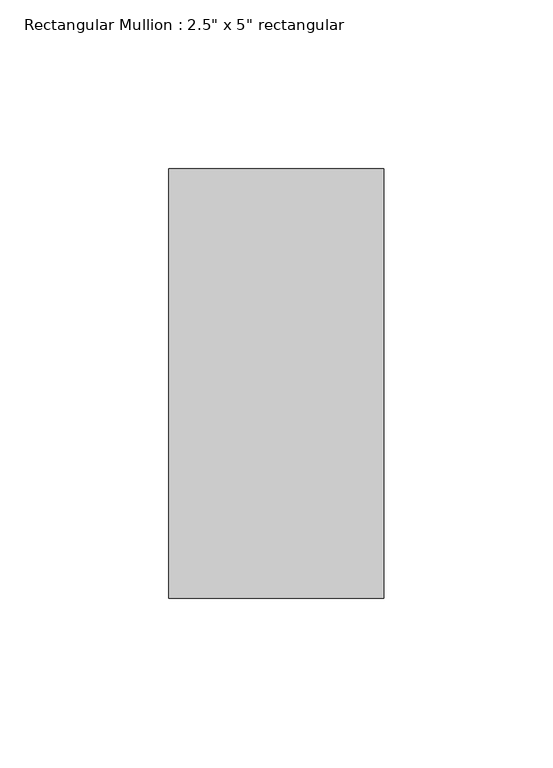
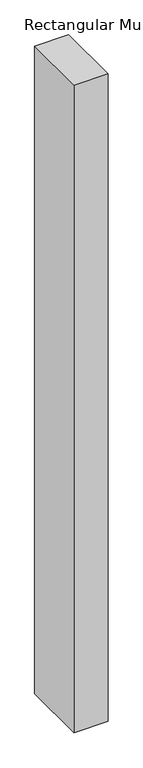
"""IFC4 building model written with IfcOpenShell, lengths in millimetres: member geometry."""

from ifc_helpers import new_model, si_unit, frame, origin, place, context, project, spatial, polyline, outline, extrude, source, transform, mapped, element, save


def member_ddda11ba(model_context):
    return source(origin(), model_context, "Body", "SweptSolid", [
        extrude(outline(polyline([(31.75, 63.5), (31.75, -63.5), (-31.75, -63.5), (-31.75, 63.5), (31.75, 63.5)])), frame((0.0, 0.0, -1279.5545449), z_axis=(0.0, 0.0, 1.0), x_axis=(1.0, 0.0, 0.0)), (0.0, 0.0, 1.0), 1279.5545449),
    ])


if __name__ == "__main__":
    model = new_model("IFC4")
    model_context = context("Model", 3, world=origin())
    ifc_project = project(units=[si_unit("LENGTHUNIT", "METRE", prefix="MILLI")], contexts=[model_context])
    site = spatial("IfcSite", under=ifc_project)
    building = spatial("IfcBuilding", under=site)
    placement = place(None, origin())
    member_shape = member_ddda11ba(model_context)
    element("IfcMember", 1, ObjectType="Rectangular Mullion : 2.5\" x 5\" rectangular", at=placement, inside=building, context=model_context, shape_type="MappedRepresentation", body=[
        mapped(member_shape, transform((0.0, 0.0, 0.0), x_axis=(1.0, 0.0, 0.0), y_axis=(0.0, 1.0, 0.0), z_axis=(0.0, 0.0, 1.0))),
    ])
    save(model, "model.ifc")
